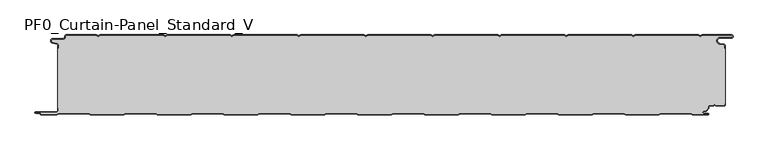
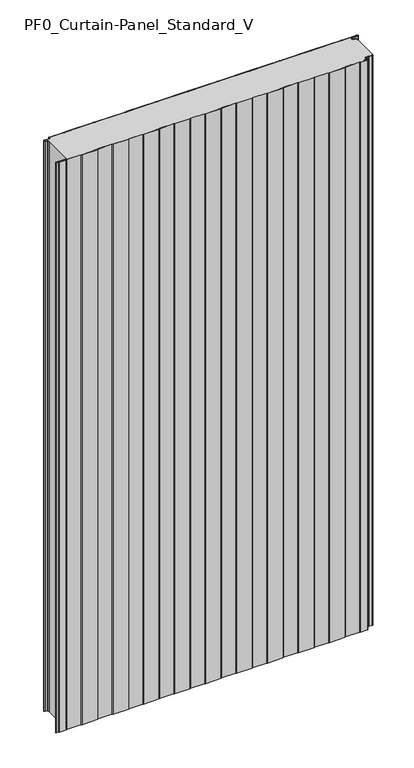
"""IFC4 building model written with IfcOpenShell, lengths in millimetres: plate geometry, PF0_Curtain-Panel_Standard_V."""

from ifc_helpers import new_model, si_unit, point, frame_2d, origin, origin_with_axes, place, context, project, spatial, polyline, circle_curve, trimmed, segment, composite_curve, outline, extrude, source, transform, mapped, element, save


def pf0_curtain_panel_standard_v_2ea74286(model_context):
    return source(origin(), model_context, "Body", "SweptSolid", [
        extrude(outline(composite_curve([segment(trimmed(circle_curve(frame_2d((-502.0, -15.878557)), 2.0), [point((-500.0, -15.878557))], [point((-501.5500978, -13.9298169))], True, "CARTESIAN"), True, "CONTINUOUS"), segment(polyline([(-501.5500978, -13.9298169), (-507.7098239, -12.507732)]), True, "CONTINUOUS"), segment(trimmed(circle_curve(frame_2d((-506.9, -9.0)), 3.6), [point((-507.7098239, -12.507732))], [point((-506.9, -5.4))], False, "CARTESIAN"), True, "CONTINUOUS"), segment(polyline([(-506.9, -5.4), (-491.4, -5.4)]), True, "CONTINUOUS"), segment(trimmed(circle_curve(frame_2d((-491.4, -3.4)), 2.0), [point((-491.4, -5.4))], [point((-489.4, -3.4))], True, "CARTESIAN"), True, "CONTINUOUS"), segment(polyline([(-489.4, -3.4), (-489.4, -2.0)]), True, "CONTINUOUS"), segment(trimmed(circle_curve(frame_2d((-487.4, -2.0)), 2.0), [point((-489.4, -2.0))], [point((-487.4, 0.0))], False, "CARTESIAN"), True, "CONTINUOUS"), segment(polyline([(-487.4, 0.0), (-442.0999995, 0.0), (-439.4, -1.5588455), (-436.7000005, 0.0), (-342.0999995, 0.0), (-339.4, -1.5588455), (-336.7000005, 0.0), (-242.0999995, 0.0), (-239.4, -1.5588455), (-236.7000005, 0.0), (-142.0999995, 0.0), (-139.4, -1.5588455), (-136.7000005, 0.0), (-42.0999995, 0.0), (-39.4, -1.5588455), (-36.7000005, 0.0), (57.9000005, 0.0), (60.6, -1.5588455), (63.2999995, 0.0), (157.9000005, 0.0), (160.6, -1.5588455), (163.2999995, 0.0), (257.9000005, 0.0), (260.6, -1.5588455), (263.2999995, 0.0), (357.9000005, 0.0), (360.6, -1.5588455), (363.2999995, 0.0), (457.9000005, 0.0), (460.6, -1.5588455), (463.2999995, 0.0), (507.268846, 0.0)]), True, "CONTINUOUS"), segment(trimmed(circle_curve(frame_2d((507.268846, -2.5)), 2.5), [point((507.268846, 0.0))], [point((507.268846, -5.0))], False, "CARTESIAN"), True, "CONTINUOUS"), segment(polyline([(507.268846, -5.0), (490.268846, -5.0)]), True, "CONTINUOUS"), segment(trimmed(circle_curve(frame_2d((490.268846, -9.0)), 4.0), [point((490.268846, -5.0))], [point((489.574253, -12.939231))], True, "CARTESIAN"), True, "CONTINUOUS"), segment(polyline([(489.574253, -12.939231), (496.0203315, -14.0758491)]), True, "CONTINUOUS"), segment(trimmed(circle_curve(frame_2d((495.568846, -16.6363492)), 2.6), [point((496.0203315, -14.0758491))], [point((498.168846, -16.6363492))], False, "CARTESIAN"), True, "CONTINUOUS"), segment(polyline([(498.168846, -16.6363492), (498.168846, -20.0), (497.368846, -20.0), (497.368846, -16.6363492)]), True, "CONTINUOUS"), segment(trimmed(circle_curve(frame_2d((495.568846, -16.6363492)), 1.8), [point((497.368846, -16.6363492))], [point((495.8814129, -14.8636953))], True, "CARTESIAN"), True, "CONTINUOUS"), segment(polyline([(495.8814129, -14.8636953), (489.4353344, -13.7270772)]), True, "CONTINUOUS"), segment(trimmed(circle_curve(frame_2d((490.268846, -9.0)), 4.8), [point((489.4353344, -13.7270772))], [point((490.268846, -4.2))], False, "CARTESIAN"), True, "CONTINUOUS"), segment(polyline([(490.268846, -4.2), (507.268846, -4.2)]), True, "CONTINUOUS"), segment(trimmed(circle_curve(frame_2d((507.268846, -2.5)), 1.7), [point((507.268846, -4.2))], [point((507.268846, -0.8))], True, "CARTESIAN"), True, "CONTINUOUS"), segment(polyline([(507.268846, -0.8), (463.5143588, -0.8), (460.6, -2.482606), (457.6856412, -0.8), (363.5143588, -0.8), (360.6, -2.482606), (357.6856412, -0.8), (263.5143588, -0.8), (260.6, -2.482606), (257.6856412, -0.8), (163.5143588, -0.8), (160.6, -2.482606), (157.6856412, -0.8), (63.5143588, -0.8), (60.6, -2.482606), (57.6856412, -0.8), (-36.4856412, -0.8), (-39.4, -2.482606), (-42.3143588, -0.8), (-136.4856412, -0.8), (-139.4, -2.482606), (-142.3143588, -0.8), (-236.4856412, -0.8), (-239.4, -2.482606), (-242.3143588, -0.8), (-336.4856412, -0.8), (-339.4, -2.482606), (-342.3143588, -0.8), (-436.4856412, -0.8), (-439.4, -2.482606), (-442.3143588, -0.8), (-487.4, -0.8)]), True, "CONTINUOUS"), segment(trimmed(circle_curve(frame_2d((-487.4, -2.0)), 1.2), [point((-487.4, -0.8))], [point((-488.6, -2.0))], True, "CARTESIAN"), True, "CONTINUOUS"), segment(polyline([(-488.6, -2.0), (-488.6, -3.4)]), True, "CONTINUOUS"), segment(trimmed(circle_curve(frame_2d((-491.4, -3.4)), 2.8), [point((-488.6, -3.4))], [point((-491.4, -6.2))], False, "CARTESIAN"), True, "CONTINUOUS"), segment(polyline([(-491.4, -6.2), (-506.9, -6.2)]), True, "CONTINUOUS"), segment(trimmed(circle_curve(frame_2d((-506.9, -9.0)), 2.8), [point((-506.9, -6.2))], [point((-507.529863, -11.7282362))], True, "CARTESIAN"), True, "CONTINUOUS"), segment(polyline([(-507.529863, -11.7282362), (-501.370137, -13.150321)]), True, "CONTINUOUS"), segment(trimmed(circle_curve(frame_2d((-502.0, -15.878557)), 2.8), [point((-501.370137, -13.150321))], [point((-499.2, -15.878557))], False, "CARTESIAN"), True, "CONTINUOUS"), segment(polyline([(-499.2, -15.878557), (-499.2, -20.0), (-500.0, -20.0), (-500.0, -15.878557)]), True, "CONTINUOUS")], self_intersect=False)), origin_with_axes(), (0.0, 0.0, 1.0), 1945.7507136),
        extrude(outline(composite_curve([segment(polyline([(-499.2, -110.0), (-500.0, -110.0), (-500.0, -20.0), (-499.2, -20.0), (-499.2, -15.878557)]), True, "CONTINUOUS"), segment(trimmed(circle_curve(frame_2d((-502.0, -15.878557)), 2.8), [point((-499.2, -15.878557))], [point((-501.370137, -13.1503208))], True, "CARTESIAN"), True, "CONTINUOUS"), segment(polyline([(-501.370137, -13.1503208), (-507.529863, -11.7282362)]), True, "CONTINUOUS"), segment(trimmed(circle_curve(frame_2d((-506.9, -9.0)), 2.8), [point((-507.529863, -11.7282362))], [point((-506.9, -6.2))], False, "CARTESIAN"), True, "CONTINUOUS"), segment(polyline([(-506.9, -6.2), (-491.4, -6.2)]), True, "CONTINUOUS"), segment(trimmed(circle_curve(frame_2d((-491.4, -3.4)), 2.8), [point((-491.4, -6.2))], [point((-488.6, -3.4))], True, "CARTESIAN"), True, "CONTINUOUS"), segment(polyline([(-488.6, -3.4), (-488.6, -2.0)]), True, "CONTINUOUS"), segment(trimmed(circle_curve(frame_2d((-487.4, -2.0)), 1.2), [point((-488.6, -2.0))], [point((-487.4, -0.8))], False, "CARTESIAN"), True, "CONTINUOUS"), segment(polyline([(-487.4, -0.8), (-442.3143588, -0.8), (-439.4, -2.482606), (-436.4856412, -0.8), (-342.3143588, -0.8), (-339.4, -2.482606), (-336.4856412, -0.8), (-242.3143588, -0.8), (-239.4, -2.482606), (-236.4856412, -0.8), (-142.3143588, -0.8), (-139.4, -2.482606), (-136.4856412, -0.8), (-42.3143588, -0.8), (-39.4, -2.482606), (-36.4856412, -0.8), (57.6856412, -0.8), (60.6, -2.482606), (63.5143588, -0.8), (157.6856412, -0.8), (160.6, -2.482606), (163.5143588, -0.8), (257.6856412, -0.8), (260.6, -2.482606), (263.5143588, -0.8), (357.6856412, -0.8), (360.6, -2.482606), (363.5143588, -0.8), (457.6856412, -0.8), (460.6, -2.482606), (463.5143588, -0.8), (507.268846, -0.8)]), True, "CONTINUOUS"), segment(trimmed(circle_curve(frame_2d((507.268846, -2.5)), 1.7), [point((507.268846, -0.8))], [point((507.268846, -4.2))], False, "CARTESIAN"), True, "CONTINUOUS"), segment(polyline([(507.268846, -4.2), (490.268846, -4.2)]), True, "CONTINUOUS"), segment(trimmed(circle_curve(frame_2d((490.268846, -9.0)), 4.8), [point((490.268846, -4.2))], [point((489.4353344, -13.7270772))], True, "CARTESIAN"), True, "CONTINUOUS"), segment(polyline([(489.4353344, -13.7270772), (495.8814129, -14.8636953)]), True, "CONTINUOUS"), segment(trimmed(circle_curve(frame_2d((495.568846, -16.6363492)), 1.8), [point((495.8814129, -14.8636953))], [point((497.368846, -16.6363492))], False, "CARTESIAN"), True, "CONTINUOUS"), segment(polyline([(497.368846, -16.6363492), (497.368846, -20.0), (498.168846, -20.0), (498.168846, -103.0), (497.368846, -103.0), (497.368846, -104.4)]), True, "CONTINUOUS"), segment(trimmed(circle_curve(frame_2d((495.568846, -104.4)), 1.8), [point((497.368846, -104.4))], [point((495.568846, -106.2))], False, "CARTESIAN"), True, "CONTINUOUS"), segment(polyline([(495.568846, -106.2), (484.0002158, -106.2), (482.168846, -104.3686285), (480.3374762, -106.2), (474.168846, -106.2)]), True, "CONTINUOUS"), segment(trimmed(circle_curve(frame_2d((474.168846, -108.0)), 1.8), [point((474.168846, -106.2))], [point((472.368846, -108.0))], True, "CARTESIAN"), True, "CONTINUOUS"), segment(polyline([(472.368846, -108.0), (472.368846, -108.8276204)]), True, "CONTINUOUS"), segment(trimmed(circle_curve(frame_2d((466.9964664, -108.8276204)), 5.3723796), [point((472.368846, -108.8276204))], [point((466.9964664, -114.2))], False, "CARTESIAN"), True, "CONTINUOUS"), segment(polyline([(466.9964664, -114.2), (466.168846, -114.2)]), True, "CONTINUOUS"), segment(trimmed(circle_curve(frame_2d((466.168846, -116.4)), 2.2), [point((466.168846, -114.2))], [point((466.168846, -118.6))], True, "CARTESIAN"), True, "CONTINUOUS"), segment(polyline([(466.168846, -118.6), (472.0579973, -118.6)]), True, "CONTINUOUS"), segment(trimmed(circle_curve(frame_2d((472.0579973, -118.9)), 0.3), [point((472.0579973, -118.6))], [point((472.0579973, -119.2))], False, "CARTESIAN"), True, "CONTINUOUS"), segment(polyline([(472.0579973, -119.2), (449.2152562, -119.2), (446.6171786, -117.7), (401.3884624, -117.7), (398.7903848, -119.2), (349.2152562, -119.2), (346.6171786, -117.7), (301.3884624, -117.7), (298.7903848, -119.2), (249.2152562, -119.2), (246.6171786, -117.7), (201.3884624, -117.7), (198.7903848, -119.2), (149.2152562, -119.2), (146.6171786, -117.7), (101.3884624, -117.7), (98.7903848, -119.2), (49.2152562, -119.2), (46.6171786, -117.7), (1.3884624, -117.7), (-1.2096152, -119.2), (-50.7847438, -119.2), (-53.3828214, -117.7), (-98.6115376, -117.7), (-101.2096152, -119.2), (-150.7847438, -119.2), (-153.3828214, -117.7), (-198.6115376, -117.7), (-201.2096152, -119.2), (-250.7847438, -119.2), (-253.3828214, -117.7), (-298.6115376, -117.7), (-301.2096152, -119.2), (-350.7847438, -119.2), (-353.3828214, -117.7), (-398.6115376, -117.7), (-401.2096152, -119.2), (-450.7847438, -119.2), (-453.3828214, -117.7), (-498.6115376, -117.7), (-501.2096152, -119.2), (-524.4, -119.2)]), True, "CONTINUOUS"), segment(trimmed(circle_curve(frame_2d((-524.4, -118.4)), 0.8), [point((-524.4, -119.2))], [point((-525.2, -118.4))], False, "CARTESIAN"), True, "CONTINUOUS"), segment(trimmed(circle_curve(frame_2d((-526.9, -118.6133333)), 1.7133333), [point((-525.2, -118.4))], [point((-526.9, -116.9))], True, "CARTESIAN"), True, "CONTINUOUS"), segment(polyline([(-526.9, -116.9), (-532.8700312, -116.9)]), True, "CONTINUOUS"), segment(trimmed(circle_curve(frame_2d((-532.8700312, -116.6)), 0.3), [point((-532.8700312, -116.9))], [point((-532.8700312, -116.3))], False, "CARTESIAN"), True, "CONTINUOUS"), segment(polyline([(-532.8700312, -116.3), (-502.0, -116.3)]), True, "CONTINUOUS"), segment(trimmed(circle_curve(frame_2d((-502.0, -113.5)), 2.8), [point((-502.0, -116.3))], [point((-499.2, -113.5))], True, "CARTESIAN"), True, "CONTINUOUS"), segment(polyline([(-499.2, -113.5), (-499.2, -110.0)]), True, "CONTINUOUS")], self_intersect=False)), origin_with_axes(), (0.0, 0.0, 1.0), 1945.7507136),
        extrude(outline(composite_curve([segment(polyline([(-500.0, -110.0), (-499.2, -110.0), (-499.2, -113.5)]), True, "CONTINUOUS"), segment(trimmed(circle_curve(frame_2d((-502.0, -113.5)), 2.8), [point((-499.2, -113.5))], [point((-502.0, -116.3))], False, "CARTESIAN"), True, "CONTINUOUS"), segment(polyline([(-502.0, -116.3), (-532.8700312, -116.3)]), True, "CONTINUOUS"), segment(trimmed(circle_curve(frame_2d((-532.8700312, -116.6)), 0.3), [point((-532.8700312, -116.3))], [point((-532.8700312, -116.9))], True, "CARTESIAN"), True, "CONTINUOUS"), segment(polyline([(-532.8700312, -116.9), (-526.9, -116.9)]), True, "CONTINUOUS"), segment(trimmed(circle_curve(frame_2d((-526.9, -118.6133333)), 1.7133333), [point((-526.9, -116.9))], [point((-525.2, -118.4))], False, "CARTESIAN"), True, "CONTINUOUS"), segment(trimmed(circle_curve(frame_2d((-524.4, -118.4)), 0.8), [point((-525.2, -118.4))], [point((-524.4, -119.2))], True, "CARTESIAN"), True, "CONTINUOUS"), segment(polyline([(-524.4, -119.2), (-501.2096152, -119.2), (-498.6115376, -117.7), (-453.3828214, -117.7), (-450.7847438, -119.2), (-401.2096152, -119.2), (-398.6115376, -117.7), (-353.3828214, -117.7), (-350.7847438, -119.2), (-301.2096152, -119.2), (-298.6115376, -117.7), (-253.3828214, -117.7), (-250.7847438, -119.2), (-201.2096152, -119.2), (-198.6115376, -117.7), (-153.3828214, -117.7), (-150.7847438, -119.2), (-101.2096152, -119.2), (-98.6115376, -117.7), (-53.3828214, -117.7), (-50.7847438, -119.2), (-1.2096152, -119.2), (1.3884624, -117.7), (46.6171786, -117.7), (49.2152562, -119.2), (98.7903848, -119.2), (101.3884624, -117.7), (146.6171786, -117.7), (149.2152562, -119.2), (198.7903848, -119.2), (201.3884624, -117.7), (246.6171786, -117.7), (249.2152562, -119.2), (298.7903848, -119.2), (301.3884624, -117.7), (346.6171786, -117.7), (349.2152562, -119.2), (398.7903848, -119.2), (401.3884624, -117.7), (446.6171786, -117.7), (449.2152562, -119.2), (472.0579973, -119.2)]), True, "CONTINUOUS"), segment(trimmed(circle_curve(frame_2d((472.0579973, -118.9)), 0.3), [point((472.0579973, -119.2))], [point((472.0579973, -118.6))], True, "CARTESIAN"), True, "CONTINUOUS"), segment(polyline([(472.0579973, -118.6), (466.168846, -118.6)]), True, "CONTINUOUS"), segment(trimmed(circle_curve(frame_2d((466.168846, -116.4)), 2.2), [point((466.168846, -118.6))], [point((466.168846, -114.2))], False, "CARTESIAN"), True, "CONTINUOUS"), segment(polyline([(466.168846, -114.2), (466.9964664, -114.2)]), True, "CONTINUOUS"), segment(trimmed(circle_curve(frame_2d((466.9964664, -108.8276204)), 5.3723796), [point((466.9964664, -114.2))], [point((472.368846, -108.8276204))], True, "CARTESIAN"), True, "CONTINUOUS"), segment(polyline([(472.368846, -108.8276204), (472.368846, -108.0)]), True, "CONTINUOUS"), segment(trimmed(circle_curve(frame_2d((474.168846, -108.0)), 1.8), [point((472.368846, -108.0))], [point((474.168846, -106.2))], False, "CARTESIAN"), True, "CONTINUOUS"), segment(polyline([(474.168846, -106.2), (480.3374762, -106.2), (482.168846, -104.3686285), (484.0002158, -106.2), (495.568846, -106.2)]), True, "CONTINUOUS"), segment(trimmed(circle_curve(frame_2d((495.568846, -104.4)), 1.8), [point((495.568846, -106.2))], [point((497.368846, -104.4))], True, "CARTESIAN"), True, "CONTINUOUS"), segment(polyline([(497.368846, -104.4), (497.368846, -103.0), (498.168846, -103.0), (498.168846, -104.4)]), True, "CONTINUOUS"), segment(trimmed(circle_curve(frame_2d((495.568846, -104.4)), 2.6), [point((498.168846, -104.4))], [point((495.568846, -107.0))], False, "CARTESIAN"), True, "CONTINUOUS"), segment(polyline([(495.568846, -107.0), (483.6688448, -107.0), (482.168846, -105.4999999), (480.6688472, -107.0), (474.168846, -107.0)]), True, "CONTINUOUS"), segment(trimmed(circle_curve(frame_2d((474.168846, -108.0)), 1.0), [point((474.168846, -107.0))], [point((473.168846, -108.0))], True, "CARTESIAN"), True, "CONTINUOUS"), segment(polyline([(473.168846, -108.0), (473.168846, -108.8276204)]), True, "CONTINUOUS"), segment(trimmed(circle_curve(frame_2d((466.9964664, -108.8276204)), 6.1723796), [point((473.168846, -108.8276204))], [point((466.9964664, -115.0))], False, "CARTESIAN"), True, "CONTINUOUS"), segment(polyline([(466.9964664, -115.0), (466.168846, -115.0)]), True, "CONTINUOUS"), segment(trimmed(circle_curve(frame_2d((466.168846, -116.5)), 1.5), [point((466.168846, -115.0))], [point((466.168846, -118.0))], True, "CARTESIAN"), True, "CONTINUOUS"), segment(polyline([(466.168846, -118.0), (472.168846, -118.0)]), True, "CONTINUOUS"), segment(trimmed(circle_curve(frame_2d((472.168846, -119.0)), 1.0), [point((472.168846, -118.0))], [point((472.168846, -120.0))], False, "CARTESIAN"), True, "CONTINUOUS"), segment(polyline([(472.168846, -120.0), (449.0008969, -120.0), (446.4028193, -118.5), (401.6028217, -118.5), (399.0047441, -120.0), (349.0008969, -120.0), (346.4028193, -118.5), (301.6028217, -118.5), (299.0047441, -120.0), (249.0008969, -120.0), (246.4028193, -118.5), (201.6028217, -118.5), (199.0047441, -120.0), (149.0008969, -120.0), (146.4028193, -118.5), (101.6028217, -118.5), (99.0047441, -120.0), (49.0008969, -120.0), (46.4028193, -118.5), (1.6028217, -118.5), (-0.9952559, -120.0), (-50.9991031, -120.0), (-53.5971807, -118.5), (-98.3971783, -118.5), (-100.9952559, -120.0), (-150.9991031, -120.0), (-153.5971807, -118.5), (-198.3971783, -118.5), (-200.9952559, -120.0), (-250.9991031, -120.0), (-253.5971807, -118.5), (-298.3971783, -118.5), (-300.9952559, -120.0), (-350.9991031, -120.0), (-353.5971807, -118.5), (-398.3971783, -118.5), (-400.9952559, -120.0), (-450.9991031, -120.0), (-453.5971807, -118.5), (-498.3971783, -118.5), (-500.9952559, -120.0), (-524.4, -120.0)]), True, "CONTINUOUS"), segment(trimmed(circle_curve(frame_2d((-524.4, -118.4)), 1.6), [point((-524.4, -120.0))], [point((-526.0, -118.4))], False, "CARTESIAN"), True, "CONTINUOUS"), segment(trimmed(circle_curve(frame_2d((-526.9, -118.4)), 0.9), [point((-526.0, -118.4))], [point((-526.9, -117.5))], True, "CARTESIAN"), True, "CONTINUOUS"), segment(polyline([(-526.9, -117.5), (-533.0, -117.5)]), True, "CONTINUOUS"), segment(trimmed(circle_curve(frame_2d((-533.0, -116.5)), 1.0), [point((-533.0, -117.5))], [point((-533.0, -115.5))], False, "CARTESIAN"), True, "CONTINUOUS"), segment(polyline([(-533.0, -115.5), (-502.0, -115.5)]), True, "CONTINUOUS"), segment(trimmed(circle_curve(frame_2d((-502.0, -113.5)), 2.0), [point((-502.0, -115.5))], [point((-500.0, -113.5))], True, "CARTESIAN"), True, "CONTINUOUS"), segment(polyline([(-500.0, -113.5), (-500.0, -110.0)]), True, "CONTINUOUS")], self_intersect=False)), origin_with_axes(), (0.0, 0.0, 1.0), 1945.7507136),
    ])


if __name__ == "__main__":
    model = new_model("IFC4")
    model_context = context("Model", 3, world=origin())
    ifc_project = project(units=[si_unit("LENGTHUNIT", "METRE", prefix="MILLI")], contexts=[model_context])
    site = spatial("IfcSite", under=ifc_project)
    building = spatial("IfcBuilding", under=site)
    placement = place(None, origin())
    pf0_curtain_panel_standard_v_shape = pf0_curtain_panel_standard_v_2ea74286(model_context)
    element("IfcPlate", 1, ObjectType="PF0_Curtain-Panel_Standard_V", at=placement, inside=building, context=model_context, shape_type="MappedRepresentation", body=[
        mapped(pf0_curtain_panel_standard_v_shape, transform((0.0, 0.0, 0.0), x_axis=(1.0, 0.0, 0.0), y_axis=(0.0, 1.0, 0.0), z_axis=(0.0, 0.0, 1.0))),
    ])
    save(model, "model.ifc")
